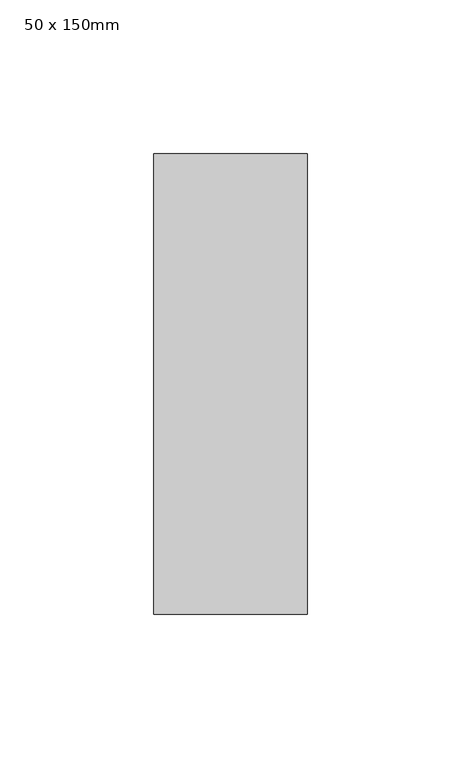
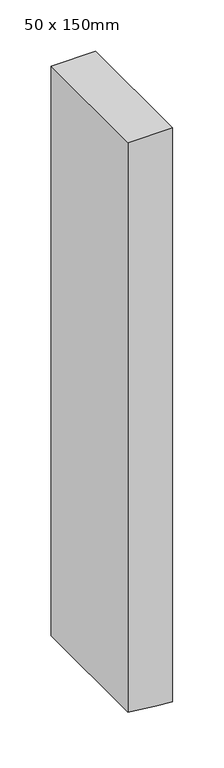
"""IFC4 building model written with IfcOpenShell, lengths in millimetres: member geometry, 50 x 150mm."""

from ifc_helpers import new_model, si_unit, frame, origin, place, context, project, spatial, polyline, outline, extrude, source, transform, mapped, element, save


def member_50_x_150mm_6c64cddd(model_context):
    return source(origin(), model_context, "Body", "SweptSolid", [
        extrude(outline(polyline([(0.0, 25.0), (0.0, -25.0), (-677.3626416, -25.0), (-680.4043293, 5.0374051), (-682.4258082, 25.0), (0.0, 25.0)])), frame((0.0, -75.0, 0.0), z_axis=(0.0, 1.0, 0.0), x_axis=(0.0, 0.0, 1.0)), (0.0, 0.0, 1.0), 150.0),
    ])


if __name__ == "__main__":
    model = new_model("IFC4")
    model_context = context("Model", 3, world=origin())
    ifc_project = project(units=[si_unit("LENGTHUNIT", "METRE", prefix="MILLI")], contexts=[model_context])
    site = spatial("IfcSite", under=ifc_project)
    building = spatial("IfcBuilding", under=site)
    placement = place(None, origin())
    member_50_x_150mm_shape = member_50_x_150mm_6c64cddd(model_context)
    element("IfcMember", 1, ObjectType="50 x 150mm", at=placement, inside=building, context=model_context, shape_type="MappedRepresentation", body=[
        mapped(member_50_x_150mm_shape, transform((0.0, 0.0, 0.0), x_axis=(1.0, 0.0, 0.0), y_axis=(0.0, 1.0, 0.0), z_axis=(0.0, 0.0, 1.0))),
    ])
    save(model, "model.ifc")
